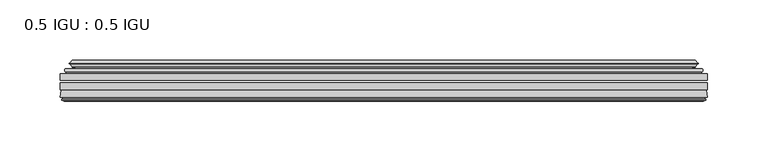
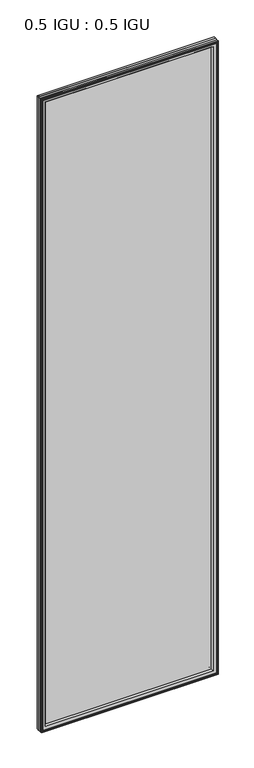
"""IFC4 building model written with IfcOpenShell, lengths in millimetres: plate geometry, 0.5 IGU : 0.5 IGU."""

from ifc_helpers import new_model, si_unit, frame, origin, place, context, project, spatial, polyline, ellipse_curve, outline, extrude, source, transform, mapped, element, save
from ifc_brep_helpers import plane_surface, cylinder_surface, revolved_surface, advanced_brep


def plate_0_5_igu_0_5_igu_e50b6d52(model_context):
    return source(origin(), model_context, "Body", "SolidModel", [
        extrude(outline(polyline([(268.2858, -55.82285), (268.2858, -61.48705), (-268.271625, -61.48705), (-268.271625, -55.82285), (268.2858, -55.82285)])), frame((0.0, 0.0, -14.2875), z_axis=(0.0, 0.0, 1.0), x_axis=(1.0, 0.0, 0.0)), (0.0, 0.0, 1.0), 2025.6537979),
        extrude(outline(polyline([(-268.271625, -69.05625), (-268.271625, -63.39205), (268.2858, -63.39205), (268.2858, -69.05625), (-268.271625, -69.05625)])), frame((0.0, 0.0, -14.2875), z_axis=(0.0, 0.0, 1.0), x_axis=(1.0, 0.0, 0.0)), (0.0, 0.0, 1.0), 2025.6537979),
        advanced_brep(
        [(-264.1690876, -54.3724927, 2007.2599626), (-263.1245628, -51.60645, 2006.2154378), (-263.1245628, -51.60645, -9.1404378), (-264.1690876, -54.3724927, -10.1849626), (-262.532642, -55.82285, 2005.623517), (-262.532642, -55.82285, -8.548517), (-253.984125, -45.63745, 1997.075), (-250.4014011, -55.82285, 1993.4922761), (-250.4014011, -55.82285, 3.5827239), (-253.984125, -45.63745, 0.0), (-259.1700359, -46.8185491, 2002.2609109), (-259.1700359, -46.8185491, -5.1859109), (-258.3730143, -44.8183085, 2001.4638893), (-258.3730143, -44.8183085, -4.3888893), (-260.6567361, -47.135817, 2003.7476111), (-260.6567361, -47.135817, -6.6726111), (-260.6567361, -47.8489429, 2003.7476111), (-260.6567361, -47.8489429, -6.6726111), (-258.3730143, -50.1664515, 2001.4638893), (-258.3730143, -50.1664515, -4.3888893), (-259.1623751, -48.1854367, 2002.2532501), (-259.1623751, -48.1854367, -5.1782501), (-256.6385629, -48.027045, 1999.7294379), (-256.6385629, -48.027045, -2.6544379), (-255.6127467, -48.7147544, 1998.7036217), (-255.6127467, -48.7147544, -1.6286217), (-255.7311538, -50.1092231, 1998.8220288), (-255.7311538, -50.1092231, -1.7470288), (-256.3328998, -51.60645, 1999.4237748), (-256.3328998, -51.60645, -2.3487748), (263.1245628, -51.60645, -9.1404378), (264.1690876, -54.3724927, -10.1849626), (262.532642, -55.82285, -8.548517), (250.4014011, -55.82285, 3.5827239), (253.984125, -45.63745, 0.0), (259.1700359, -46.8185491, -5.1859109), (258.3730143, -44.8183085, -4.3888893), (260.6567361, -47.135817, -6.6726111), (260.6567361, -47.8489429, -6.6726111), (258.3730143, -50.1664515, -4.3888893), (259.1623751, -48.1854367, -5.1782501), (256.6385629, -48.027045, -2.6544379), (255.6127467, -48.7147544, -1.6286217), (255.7311538, -50.1092231, -1.7470288), (256.3328998, -51.60645, -2.3487748), (263.1245628, -51.60645, 2006.2154378), (264.1690876, -54.3724927, 2007.2599626), (262.532642, -55.82285, 2005.623517), (250.4014011, -55.82285, 1993.4922761), (253.984125, -45.63745, 1997.075), (259.1700359, -46.8185491, 2002.2609109), (258.3730143, -44.8183085, 2001.4638893), (260.6567361, -47.135817, 2003.7476111), (260.6567361, -47.8489429, 2003.7476111), (258.3730143, -50.1664515, 2001.4638893), (259.1623751, -48.1854367, 2002.2532501), (256.6385629, -48.027045, 1999.7294379), (255.6127467, -48.7147544, 1998.7036217), (255.7311538, -50.1092231, 1998.8220288), (256.3328998, -51.60645, 1999.4237748)],
        [
            (0, 1, ellipse_curve(frame((-263.1161953, -53.1898501, 2006.2070703), z_axis=(-0.7071067811865475, 0.0, -0.7071067811865475), x_axis=(-0.7071067811865474, 0.0, 0.7071067811865476)), 2.2392971, 1.5834222)),
            (1, 2),
            (2, 3, ellipse_curve(frame((-263.1161953, -53.1898501, -9.1320703), z_axis=(-0.7071067811865475, 0.0, 0.7071067811865475), x_axis=(0.7071067811865474, 0.0, 0.7071067811865476)), 2.2392971, 1.5834222)),
            (3, 0),
            (4, 0),
            (3, 5),
            (5, 4),
            (6, 7, ellipse_curve(frame((-221.704371, -40.0058297, 1964.795246), z_axis=(0.7071067811865475, 0.0, 0.7071067811865475), x_axis=(0.7071067811865474, 0.0, -0.7071067811865476)), 46.3399971, 32.7673262)),
            (7, 8),
            (8, 9, ellipse_curve(frame((-221.704371, -40.0058297, 32.279754), z_axis=(0.7071067811865475, 0.0, -0.7071067811865475), x_axis=(-0.7071067811865474, 0.0, -0.7071067811865476)), 46.3399971, 32.7673262)),
            (9, 6),
            (10, 6),
            (9, 11),
            (11, 10),
            (12, 10),
            (11, 13),
            (13, 12),
            (14, 12),
            (13, 15),
            (15, 14),
            (16, 14, ellipse_curve(frame((-260.2948979, -47.49238, 2003.3857729), z_axis=(-0.7071067811865475, 0.0, -0.7071067811865475), x_axis=(-0.7071067811865474, 0.0, 0.7071067811865476)), 0.7184205, 0.508)),
            (15, 17, ellipse_curve(frame((-260.2948979, -47.49238, -6.3107729), z_axis=(-0.7071067811865475, 0.0, 0.7071067811865475), x_axis=(0.7071067811865474, 0.0, 0.7071067811865476)), 0.7184205, 0.508)),
            (17, 16),
            (18, 16),
            (17, 19),
            (19, 18),
            (20, 18),
            (19, 21),
            (21, 20),
            (22, 20),
            (21, 23),
            (23, 22),
            (24, 22, ellipse_curve(frame((-256.574925, -49.04105, 1999.6658), z_axis=(0.7071067811865475, 0.0, 0.7071067811865475), x_axis=(0.7071067811865474, 0.0, -0.7071067811865476)), 1.436841, 1.016)),
            (23, 25, ellipse_curve(frame((-256.574925, -49.04105, -2.5908), z_axis=(0.7071067811865475, 0.0, -0.7071067811865475), x_axis=(-0.7071067811865474, 0.0, -0.7071067811865476)), 1.436841, 1.016)),
            (25, 24),
            (26, 24, ellipse_curve(frame((-257.946525, -49.21885, 2001.0374), z_axis=(0.7071067811865475, 0.0, 0.7071067811865475), x_axis=(0.7071067811865474, 0.0, -0.7071067811865476)), 3.3765763, 2.3876)),
            (25, 27, ellipse_curve(frame((-257.946525, -49.21885, -3.9624), z_axis=(0.7071067811865475, 0.0, -0.7071067811865475), x_axis=(-0.7071067811865474, 0.0, -0.7071067811865476)), 3.3765763, 2.3876)),
            (27, 26),
            (28, 26),
            (27, 29),
            (29, 28),
            (2, 30),
            (30, 31, ellipse_curve(frame((263.1161953, -53.1898501, -9.1320703), z_axis=(-0.7071067811865475, 0.0, -0.7071067811865475), x_axis=(-0.7071067811865476, 0.0, 0.7071067811865474)), 2.2392971, 1.5834222)),
            (31, 3),
            (31, 32),
            (32, 5),
            (8, 33),
            (33, 34, ellipse_curve(frame((221.704371, -40.0058297, 32.279754), z_axis=(0.7071067811865475, 0.0, 0.7071067811865475), x_axis=(0.7071067811865476, 0.0, -0.7071067811865474)), 46.3399971, 32.7673262)),
            (34, 9),
            (34, 35),
            (35, 11),
            (35, 36),
            (36, 13),
            (36, 37),
            (37, 15),
            (37, 38, ellipse_curve(frame((260.2948979, -47.49238, -6.3107729), z_axis=(-0.7071067811865475, 0.0, -0.7071067811865475), x_axis=(-0.7071067811865476, 0.0, 0.7071067811865474)), 0.7184205, 0.508)),
            (38, 17),
            (38, 39),
            (39, 19),
            (39, 40),
            (40, 21),
            (40, 41),
            (41, 23),
            (41, 42, ellipse_curve(frame((256.574925, -49.04105, -2.5908), z_axis=(0.7071067811865475, 0.0, 0.7071067811865475), x_axis=(0.7071067811865476, 0.0, -0.7071067811865474)), 1.436841, 1.016)),
            (42, 25),
            (42, 43, ellipse_curve(frame((257.946525, -49.21885, -3.9624), z_axis=(0.7071067811865475, 0.0, 0.7071067811865475), x_axis=(0.7071067811865476, 0.0, -0.7071067811865474)), 3.3765763, 2.3876)),
            (43, 27),
            (43, 44),
            (44, 29),
            (30, 45),
            (45, 46, ellipse_curve(frame((263.1161953, -53.1898501, 2006.2070703), z_axis=(0.7071067811865475, 0.0, -0.7071067811865475), x_axis=(-0.7071067811865474, 0.0, -0.7071067811865476)), 2.2392971, 1.5834222)),
            (46, 31),
            (46, 47),
            (47, 32),
            (33, 48),
            (48, 49, ellipse_curve(frame((221.704371, -40.0058297, 1964.795246), z_axis=(-0.7071067811865475, 0.0, 0.7071067811865475), x_axis=(0.7071067811865474, 0.0, 0.7071067811865476)), 46.3399971, 32.7673262)),
            (49, 34),
            (49, 50),
            (50, 35),
            (50, 51),
            (51, 36),
            (51, 52),
            (52, 37),
            (52, 53, ellipse_curve(frame((260.2948979, -47.49238, 2003.3857729), z_axis=(0.7071067811865475, 0.0, -0.7071067811865475), x_axis=(-0.7071067811865474, 0.0, -0.7071067811865476)), 0.7184205, 0.508)),
            (53, 38),
            (53, 54),
            (54, 39),
            (54, 55),
            (55, 40),
            (55, 56),
            (56, 41),
            (56, 57, ellipse_curve(frame((256.574925, -49.04105, 1999.6658), z_axis=(-0.7071067811865475, 0.0, 0.7071067811865475), x_axis=(0.7071067811865474, 0.0, 0.7071067811865476)), 1.436841, 1.016)),
            (57, 42),
            (57, 58, ellipse_curve(frame((257.946525, -49.21885, 2001.0374), z_axis=(-0.7071067811865475, 0.0, 0.7071067811865475), x_axis=(0.7071067811865474, 0.0, 0.7071067811865476)), 3.3765763, 2.3876)),
            (58, 43),
            (58, 59),
            (59, 44),
            (45, 1),
            (0, 46),
            (4, 47),
            (7, 48),
            (6, 49),
            (10, 50),
            (12, 51),
            (14, 52),
            (16, 53),
            (18, 54),
            (20, 55),
            (22, 56),
            (24, 57),
            (26, 58),
            (28, 59),
        ],
        [
            cylinder_surface(frame((-263.1161953, -53.1898501, 2028.825), z_axis=(0.0, 0.0, 1.0), x_axis=(-1.0, 0.0, 0.0)), 1.5834222),
            plane_surface(frame((-264.1690876, -54.3724927, 2007.2599626), z_axis=(-0.6632745773184306, -0.7483761320907135, 0.0), x_axis=(0.0, 0.0, -1.0))),
            revolved_surface(polyline([(-254.4716972, -40.0058297, -0.48757218957507575), (-254.4716972, -40.0058297, 1997.562572189575)]), (-221.704371, -40.0058297, 2028.825), (0.0, 0.0, -1.0)),
            plane_surface(frame((-253.984125, -45.63745, 1997.075), z_axis=(-0.2220649844278743, 0.975031867525902, 0.0), x_axis=(0.0, 0.0, -1.0))),
            plane_surface(frame((-259.1700359, -46.8185491, 2002.2609109), z_axis=(0.9289682685630282, -0.370159365683228, 0.0), x_axis=(0.0, 0.0, -1.0))),
            plane_surface(frame((-258.3730143, -44.8183085, 2001.4638893), z_axis=(-0.7122798501733507, 0.7018955869907071, 0.0), x_axis=(0.0, 0.0, -1.0))),
            cylinder_surface(frame((-260.2948979, -47.49238, 2028.825), z_axis=(0.0, 0.0, 1.0), x_axis=(-1.0, 0.0, 0.0)), 0.508),
            plane_surface(frame((-260.6567361, -47.8489429, 2003.7476111), z_axis=(-0.7122798501732925, -0.701895586990766, 0.0), x_axis=(0.0, 0.0, -1.0))),
            plane_surface(frame((-258.3730143, -50.1664515, 2001.4638893), z_axis=(0.9289682685628707, 0.3701593656836228, 0.0), x_axis=(0.0, 0.0, -1.0))),
            plane_surface(frame((-259.1623751, -48.1854367, 2002.2532501), z_axis=(0.0626357011928498, -0.9980364567169279, 0.0), x_axis=(0.0, 0.0, -1.0))),
            revolved_surface(polyline([(-257.590925, -49.04105, -3.6068000145867245), (-257.590925, -49.04105, 2000.6818000145868)]), (-256.574925, -49.04105, 2028.825), (0.0, 0.0, -1.0)),
            revolved_surface(polyline([(-260.33412500000003, -49.21885, -6.3499999989237494), (-260.33412500000003, -49.21885, 2003.4249999989238)]), (-257.946525, -49.21885, 2028.825), (0.0, 0.0, -1.0)),
            plane_surface(frame((-255.7311538, -50.1092231, 1998.8220288), z_axis=(-0.9278652925428184, 0.3729155385532094, 0.0), x_axis=(0.0, 0.0, -1.0))),
            cylinder_surface(frame((-285.734125, -53.1898501, -9.1320703), z_axis=(-1.0, 0.0, 0.0), x_axis=(0.0, 0.0, -1.0)), 1.5834222),
            plane_surface(frame((-264.1690876, -54.3724927, -10.1849626), z_axis=(0.0, -0.7483761320907157, -0.6632745773184283), x_axis=(1.0, 0.0, 0.0))),
            revolved_surface(polyline([(254.47169718957497, -40.0058297, -0.48757220000000245), (-254.47169718957494, -40.0058297, -0.48757220000000245)]), (-285.734125, -40.0058297, 32.279754), (1.0, 0.0, 0.0)),
            plane_surface(frame((-253.984125, -45.63745, 0.0), z_axis=(0.0, 0.9750318675259013, -0.22206498442787745), x_axis=(1.0, 0.0, 0.0))),
            plane_surface(frame((-259.1700359, -46.8185491, -5.1859109), z_axis=(0.0, -0.370159365683225, 0.9289682685630294), x_axis=(1.0, 0.0, 0.0))),
            plane_surface(frame((-258.3730143, -44.8183085, -4.3888893), z_axis=(0.0, 0.7018955869907048, -0.7122798501733529), x_axis=(1.0, 0.0, 0.0))),
            cylinder_surface(frame((-285.734125, -47.49238, -6.3107729), z_axis=(-1.0, 0.0, 0.0), x_axis=(0.0, 0.0, -1.0)), 0.508),
            plane_surface(frame((-260.6567361, -47.8489429, -6.6726111), z_axis=(0.0, -0.7018955869907684, -0.7122798501732903), x_axis=(1.0, 0.0, 0.0))),
            plane_surface(frame((-258.3730143, -50.1664515, -4.3888893), z_axis=(0.0, 0.37015936568362584, 0.9289682685628696), x_axis=(1.0, 0.0, 0.0))),
            plane_surface(frame((-259.1623751, -48.1854367, -5.1782501), z_axis=(0.0, -0.9980364567169276, 0.06263570119285301), x_axis=(1.0, 0.0, 0.0))),
            revolved_surface(polyline([(257.59092501458696, -49.04105, -3.6068000000000002), (-257.59092501458684, -49.04105, -3.6068000000000002)]), (-285.734125, -49.04105, -2.5908), (1.0, 0.0, 0.0)),
            revolved_surface(polyline([(260.33412499892376, -49.21885, -6.35), (-260.3341249989238, -49.21885, -6.35)]), (-285.734125, -49.21885, -3.9624), (1.0, 0.0, 0.0)),
            plane_surface(frame((-255.7311538, -50.1092231, -1.7470288), z_axis=(0.0, 0.3729155385532064, -0.9278652925428196), x_axis=(1.0, 0.0, 0.0))),
            cylinder_surface(frame((263.1161953, -53.1898501, -31.75), z_axis=(0.0, 0.0, -1.0), x_axis=(1.0, 0.0, 0.0)), 1.5834222),
            plane_surface(frame((264.1690876, -54.3724927, -10.1849626), z_axis=(0.6632745773184259, -0.7483761320907178, 0.0), x_axis=(0.0, 0.0, 1.0))),
            revolved_surface(polyline([(254.4716972, -40.0058297, 1997.562572189575), (254.4716972, -40.0058297, -0.48757218957494075)]), (221.704371, -40.0058297, -31.75), (0.0, 0.0, 1.0)),
            plane_surface(frame((253.984125, -45.63745, 0.0), z_axis=(0.22206498442788056, 0.9750318675259005, 0.0), x_axis=(0.0, 0.0, 1.0))),
            plane_surface(frame((259.1700359, -46.8185491, -5.1859109), z_axis=(-0.9289682685630306, -0.370159365683222, 0.0), x_axis=(0.0, 0.0, 1.0))),
            plane_surface(frame((258.3730143, -44.8183085, -4.3888893), z_axis=(0.7122798501733552, 0.7018955869907024, 0.0), x_axis=(0.0, 0.0, 1.0))),
            cylinder_surface(frame((260.2948979, -47.49238, -31.75), z_axis=(0.0, 0.0, -1.0), x_axis=(1.0, 0.0, 0.0)), 0.508),
            plane_surface(frame((260.6567361, -47.8489429, -6.6726111), z_axis=(0.712279850173288, -0.7018955869907706, 0.0), x_axis=(0.0, 0.0, 1.0))),
            plane_surface(frame((258.3730143, -50.1664515, -4.3888893), z_axis=(-0.9289682685628684, 0.37015936568362884, 0.0), x_axis=(0.0, 0.0, 1.0))),
            plane_surface(frame((259.1623751, -48.1854367, -5.1782501), z_axis=(-0.06263570119285623, -0.9980364567169274, 0.0), x_axis=(0.0, 0.0, 1.0))),
            revolved_surface(polyline([(257.590925, -49.04105, 2000.6818000145868), (257.590925, -49.04105, -3.606800014586863)]), (256.574925, -49.04105, -31.75), (0.0, 0.0, 1.0)),
            revolved_surface(polyline([(260.33412500000003, -49.21885, 2003.4249999989238), (260.33412500000003, -49.21885, -6.349999998923781)]), (257.946525, -49.21885, -31.75), (0.0, 0.0, 1.0)),
            plane_surface(frame((255.7311538, -50.1092231, -1.7470288), z_axis=(0.9278652925428208, 0.3729155385532034, 0.0), x_axis=(0.0, 0.0, 1.0))),
            cylinder_surface(frame((285.734125, -53.1898501, 2006.2070703), z_axis=(1.0, 0.0, 0.0), x_axis=(0.0, 0.0, 1.0)), 1.5834222),
            plane_surface(frame((264.1690876, -54.3724927, 2007.2599626), z_axis=(0.0, -0.7483761320907157, 0.6632745773184283), x_axis=(-1.0, 0.0, 0.0))),
            plane_surface(frame((262.532642, -55.82285, 2005.623517), z_axis=(0.0, -1.0, 0.0), x_axis=(-1.0, 0.0, 0.0))),
            revolved_surface(polyline([(-254.47169718957497, -40.0058297, 1997.5625722), (254.47169718957494, -40.0058297, 1997.5625722)]), (285.734125, -40.0058297, 1964.795246), (-1.0, 0.0, 0.0)),
            plane_surface(frame((253.984125, -45.63745, 1997.075), z_axis=(0.0, 0.9750318675259012, 0.22206498442787742), x_axis=(-1.0, 0.0, 0.0))),
            plane_surface(frame((259.1700359, -46.8185491, 2002.2609109), z_axis=(0.0, -0.370159365683225, -0.9289682685630294), x_axis=(-1.0, 0.0, 0.0))),
            plane_surface(frame((258.3730143, -44.8183085, 2001.4638893), z_axis=(0.0, 0.7018955869907048, 0.7122798501733529), x_axis=(-1.0, 0.0, 0.0))),
            cylinder_surface(frame((285.734125, -47.49238, 2003.3857729), z_axis=(1.0, 0.0, 0.0), x_axis=(0.0, 0.0, 1.0)), 0.508),
            plane_surface(frame((260.6567361, -47.8489429, 2003.7476111), z_axis=(0.0, -0.7018955869907684, 0.7122798501732903), x_axis=(-1.0, 0.0, 0.0))),
            plane_surface(frame((258.3730143, -50.1664515, 2001.4638893), z_axis=(0.0, 0.37015936568362584, -0.9289682685628696), x_axis=(-1.0, 0.0, 0.0))),
            plane_surface(frame((259.1623751, -48.1854367, 2002.2532501), z_axis=(0.0, -0.9980364567169276, -0.06263570119285301), x_axis=(-1.0, 0.0, 0.0))),
            revolved_surface(polyline([(-257.59092501458696, -49.04105, 2000.6818), (257.59092501458684, -49.04105, 2000.6818)]), (285.734125, -49.04105, 1999.6658), (-1.0, 0.0, 0.0)),
            revolved_surface(polyline([(-260.33412499892376, -49.21885, 2003.425), (260.3341249989238, -49.21885, 2003.425)]), (285.734125, -49.21885, 2001.0374), (-1.0, 0.0, 0.0)),
            plane_surface(frame((255.7311538, -50.1092231, 1998.8220288), z_axis=(0.0, 0.3729155385532064, 0.9278652925428196), x_axis=(-1.0, 0.0, 0.0))),
            plane_surface(frame((256.3328998, -51.60645, 1999.4237748), z_axis=(0.0, 1.0, 0.0), x_axis=(-1.0, 0.0, 0.0))),
        ],
        [
            (0, [[1, 2, 3, 4]]),
            (1, [[5, -4, 6, 7]]),
            (2, [[8, 9, 10, 11]]),
            (3, [[12, -11, 13, 14]]),
            (4, [[15, -14, 16, 17]]),
            (5, [[18, -17, 19, 20]]),
            (6, [[21, -20, 22, 23]]),
            (7, [[24, -23, 25, 26]]),
            (8, [[27, -26, 28, 29]]),
            (9, [[30, -29, 31, 32]]),
            (10, [[33, -32, 34, 35]]),
            (11, [[36, -35, 37, 38]]),
            (12, [[39, -38, 40, 41]]),
            (13, [[-3, 42, 43, 44]]),
            (14, [[-6, -44, 45, 46]]),
            (15, [[-10, 47, 48, 49]]),
            (16, [[-13, -49, 50, 51]]),
            (17, [[-16, -51, 52, 53]]),
            (18, [[-19, -53, 54, 55]]),
            (19, [[-22, -55, 56, 57]]),
            (20, [[-25, -57, 58, 59]]),
            (21, [[-28, -59, 60, 61]]),
            (22, [[-31, -61, 62, 63]]),
            (23, [[-34, -63, 64, 65]]),
            (24, [[-37, -65, 66, 67]]),
            (25, [[-40, -67, 68, 69]]),
            (26, [[-43, 70, 71, 72]]),
            (27, [[-45, -72, 73, 74]]),
            (28, [[-48, 75, 76, 77]]),
            (29, [[-50, -77, 78, 79]]),
            (30, [[-52, -79, 80, 81]]),
            (31, [[-54, -81, 82, 83]]),
            (32, [[-56, -83, 84, 85]]),
            (33, [[-58, -85, 86, 87]]),
            (34, [[-60, -87, 88, 89]]),
            (35, [[-62, -89, 90, 91]]),
            (36, [[-64, -91, 92, 93]]),
            (37, [[-66, -93, 94, 95]]),
            (38, [[-68, -95, 96, 97]]),
            (39, [[-71, 98, -1, 99]]),
            (40, [[-73, -99, -5, 100]]),
            (41, [[-46, -74, -100, -7], [101, -75, -47, -9]]),
            (42, [[-76, -101, -8, 102]]),
            (43, [[-78, -102, -12, 103]]),
            (44, [[-80, -103, -15, 104]]),
            (45, [[-82, -104, -18, 105]]),
            (46, [[-84, -105, -21, 106]]),
            (47, [[-86, -106, -24, 107]]),
            (48, [[-88, -107, -27, 108]]),
            (49, [[-90, -108, -30, 109]]),
            (50, [[-92, -109, -33, 110]]),
            (51, [[-94, -110, -36, 111]]),
            (52, [[-96, -111, -39, 112]]),
            (53, [[-98, -70, -42, -2], [-69, -97, -112, -41]]),
        ],
    ),
        advanced_brep(
        [(-268.284325, -75.40625, 2011.3752), (-267.5895412, -69.7476901, 2010.6804162), (-267.5895412, -69.7476901, -13.6054162), (-268.284325, -75.40625, -14.3002), (-265.896725, -77.3973143, 2008.9876), (-266.353925, -75.40625, 2009.4448), (-266.353925, -75.40625, -12.3698), (-265.896725, -77.3973143, -11.9126), (-266.8980869, -77.1290001, 2009.9889619), (-266.8980869, -77.1290001, -12.9139619), (-267.141325, -78.0367772, 2010.2322), (-267.141325, -78.0367772, -13.1572), (-265.109325, -78.58125, 2008.2002), (-265.109325, -78.58125, -11.1252), (-263.077325, -78.0367772, 2006.1682), (-263.077325, -78.0367772, -9.0932), (-263.3205631, -77.1290001, 2006.4114381), (-263.3205631, -77.1290001, -9.3364381), (-264.321925, -77.3973143, 2007.4128), (-264.321925, -77.3973143, -10.3378), (-263.864725, -75.40625, 2006.9556), (-263.864725, -75.40625, -9.8806), (-250.3946619, -69.05625, 1993.4855369), (-253.984125, -75.40625, 1997.075), (-253.984125, -75.40625, 0.0), (-250.3946619, -69.05625, 3.5894631), (-266.8080104, -69.05625, 2009.8988854), (-266.8080104, -69.05625, -12.8238854), (267.5895412, -69.7476901, -13.6054162), (268.284325, -75.40625, -14.3002), (266.353925, -75.40625, -12.3698), (265.896725, -77.3973143, -11.9126), (266.8980869, -77.1290001, -12.9139619), (267.141325, -78.0367772, -13.1572), (265.109325, -78.58125, -11.1252), (263.077325, -78.0367772, -9.0932), (263.3205631, -77.1290001, -9.3364381), (264.321925, -77.3973143, -10.3378), (263.864725, -75.40625, -9.8806), (253.984125, -75.40625, 0.0), (250.3946619, -69.05625, 3.5894631), (266.8080104, -69.05625, -12.8238854), (267.5895412, -69.7476901, 2010.6804162), (268.284325, -75.40625, 2011.3752), (266.353925, -75.40625, 2009.4448), (265.896725, -77.3973143, 2008.9876), (266.8980869, -77.1290001, 2009.9889619), (267.141325, -78.0367772, 2010.2322), (265.109325, -78.58125, 2008.2002), (263.077325, -78.0367772, 2006.1682), (263.3205631, -77.1290001, 2006.4114381), (264.321925, -77.3973143, 2007.4128), (263.864725, -75.40625, 2006.9556), (253.984125, -75.40625, 1997.075), (250.3946619, -69.05625, 1993.4855369), (266.8080104, -69.05625, 2009.8988854)],
        [
            (0, 1),
            (1, 2),
            (2, 3),
            (3, 0),
            (4, 5),
            (5, 6),
            (6, 7),
            (7, 4),
            (8, 4),
            (7, 9),
            (9, 8),
            (10, 8),
            (9, 11),
            (11, 10),
            (12, 10),
            (11, 13),
            (13, 12),
            (14, 12),
            (13, 15),
            (15, 14),
            (16, 14),
            (15, 17),
            (17, 16),
            (18, 16),
            (17, 19),
            (19, 18),
            (20, 18),
            (19, 21),
            (21, 20),
            (22, 23, ellipse_curve(frame((-245.5078364, -76.0081323, 1988.5987114), z_axis=(0.7071067811865475, 0.0, 0.7071067811865475), x_axis=(0.7071067811865474, 0.0, -0.7071067811865476)), 12.0174649, 8.4976309)),
            (23, 24),
            (24, 25, ellipse_curve(frame((-245.5078364, -76.0081323, 8.4762886), z_axis=(0.7071067811865475, 0.0, -0.7071067811865475), x_axis=(-0.7071067811865474, 0.0, -0.7071067811865476)), 12.0174649, 8.4976309)),
            (25, 22),
            (1, 26, ellipse_curve(frame((-266.8080104, -69.84365, 2009.8988854), z_axis=(-0.7071067811865475, 0.0, -0.7071067811865475), x_axis=(-0.7071067811865474, 0.0, 0.7071067811865476)), 1.1135518, 0.7874)),
            (26, 27),
            (27, 2, ellipse_curve(frame((-266.8080104, -69.84365, -12.8238854), z_axis=(-0.7071067811865475, 0.0, 0.7071067811865475), x_axis=(0.7071067811865474, 0.0, 0.7071067811865476)), 1.1135518, 0.7874)),
            (2, 28),
            (28, 29),
            (29, 3),
            (6, 30),
            (30, 31),
            (31, 7),
            (31, 32),
            (32, 9),
            (32, 33),
            (33, 11),
            (33, 34),
            (34, 13),
            (34, 35),
            (35, 15),
            (35, 36),
            (36, 17),
            (36, 37),
            (37, 19),
            (37, 38),
            (38, 21),
            (24, 39),
            (39, 40, ellipse_curve(frame((245.5078364, -76.0081323, 8.4762886), z_axis=(0.7071067811865475, 0.0, 0.7071067811865475), x_axis=(0.7071067811865476, 0.0, -0.7071067811865474)), 12.0174649, 8.4976309)),
            (40, 25),
            (27, 41),
            (41, 28, ellipse_curve(frame((266.8080104, -69.84365, -12.8238854), z_axis=(-0.7071067811865475, 0.0, -0.7071067811865475), x_axis=(-0.7071067811865476, 0.0, 0.7071067811865474)), 1.1135518, 0.7874)),
            (28, 42),
            (42, 43),
            (43, 29),
            (30, 44),
            (44, 45),
            (45, 31),
            (45, 46),
            (46, 32),
            (46, 47),
            (47, 33),
            (47, 48),
            (48, 34),
            (48, 49),
            (49, 35),
            (49, 50),
            (50, 36),
            (50, 51),
            (51, 37),
            (51, 52),
            (52, 38),
            (39, 53),
            (53, 54, ellipse_curve(frame((245.5078364, -76.0081323, 1988.5987114), z_axis=(-0.7071067811865475, 0.0, 0.7071067811865475), x_axis=(0.7071067811865474, 0.0, 0.7071067811865476)), 12.0174649, 8.4976309)),
            (54, 40),
            (41, 55),
            (55, 42, ellipse_curve(frame((266.8080104, -69.84365, 2009.8988854), z_axis=(0.7071067811865475, 0.0, -0.7071067811865475), x_axis=(-0.7071067811865474, 0.0, -0.7071067811865476)), 1.1135518, 0.7874)),
            (42, 1),
            (0, 43),
            (5, 44),
            (4, 45),
            (8, 46),
            (10, 47),
            (12, 48),
            (14, 49),
            (16, 50),
            (18, 51),
            (20, 52),
            (23, 53),
            (22, 54),
            (26, 55),
        ],
        [
            plane_surface(frame((-267.5895412, -69.7476901, 2010.6804162), z_axis=(-0.992546151641325, 0.12186934340512405, 0.0), x_axis=(0.0, 0.0, -1.0))),
            plane_surface(frame((-266.353925, -75.40625, 2009.4448), z_axis=(-0.9746347637895902, -0.22380142361658398, 0.0), x_axis=(0.0, 0.0, -1.0))),
            plane_surface(frame((-265.896725, -77.3973143, 2008.9876), z_axis=(0.2588190451026526, 0.965925826289033, 0.0), x_axis=(0.0, 0.0, -1.0))),
            plane_surface(frame((-266.8980869, -77.1290001, 2009.9889619), z_axis=(-0.9659258262890449, 0.2588190451026083, 0.0), x_axis=(0.0, 0.0, -1.0))),
            plane_surface(frame((-267.141325, -78.0367772, 2010.2322), z_axis=(-0.2588190451024403, -0.96592582628909, 0.0), x_axis=(0.0, 0.0, -1.0))),
            plane_surface(frame((-265.109325, -78.58125, 2008.2002), z_axis=(0.2588190451025434, -0.9659258262890623, 0.0), x_axis=(0.0, 0.0, -1.0))),
            plane_surface(frame((-263.077325, -78.0367772, 2006.1682), z_axis=(0.9659258262891713, 0.25881904510213655, 0.0), x_axis=(0.0, 0.0, -1.0))),
            plane_surface(frame((-263.3205631, -77.1290001, 2006.4114381), z_axis=(-0.25881904510234177, 0.9659258262891163, 0.0), x_axis=(0.0, 0.0, -1.0))),
            plane_surface(frame((-264.321925, -77.3973143, 2007.4128), z_axis=(0.9746347637895849, -0.22380142361660743, 0.0), x_axis=(0.0, 0.0, -1.0))),
            revolved_surface(polyline([(-254.0054673, -76.0081323, -0.021342323461112755), (-254.0054673, -76.0081323, 1997.0963423234612)]), (-245.5078364, -76.0081323, 2028.825), (0.0, 0.0, -1.0)),
            cylinder_surface(frame((-266.8080104, -69.84365, 2028.825), z_axis=(0.0, 0.0, 1.0), x_axis=(-1.0, 0.0, 0.0)), 0.7874),
            plane_surface(frame((-267.5895412, -69.7476901, -13.6054162), z_axis=(0.0, 0.12186934340512084, -0.9925461516413254), x_axis=(1.0, 0.0, 0.0))),
            plane_surface(frame((-266.353925, -75.40625, -12.3698), z_axis=(0.0, -0.22380142361658714, -0.9746347637895896), x_axis=(1.0, 0.0, 0.0))),
            plane_surface(frame((-265.896725, -77.3973143, -11.9126), z_axis=(0.0, 0.9659258262890339, 0.25881904510264947), x_axis=(1.0, 0.0, 0.0))),
            plane_surface(frame((-266.8980869, -77.1290001, -12.9139619), z_axis=(0.0, 0.25881904510260517, -0.9659258262890458), x_axis=(1.0, 0.0, 0.0))),
            plane_surface(frame((-267.141325, -78.0367772, -13.1572), z_axis=(0.0, -0.9659258262890907, -0.25881904510243714), x_axis=(1.0, 0.0, 0.0))),
            plane_surface(frame((-265.109325, -78.58125, -11.1252), z_axis=(0.0, -0.9659258262890614, 0.2588190451025465), x_axis=(1.0, 0.0, 0.0))),
            plane_surface(frame((-263.077325, -78.0367772, -9.0932), z_axis=(0.0, 0.25881904510213966, 0.9659258262891705), x_axis=(1.0, 0.0, 0.0))),
            plane_surface(frame((-263.3205631, -77.1290001, -9.3364381), z_axis=(0.0, 0.9659258262891154, -0.2588190451023449), x_axis=(1.0, 0.0, 0.0))),
            plane_surface(frame((-264.321925, -77.3973143, -10.3378), z_axis=(0.0, -0.2238014236166043, 0.9746347637895857), x_axis=(1.0, 0.0, 0.0))),
            revolved_surface(polyline([(254.00546732346135, -76.0081323, -0.02134230000000059), (-254.00546732346132, -76.0081323, -0.02134230000000059)]), (-285.734125, -76.0081323, 8.4762886), (1.0, 0.0, 0.0)),
            cylinder_surface(frame((-285.734125, -69.84365, -12.8238854), z_axis=(-1.0, 0.0, 0.0), x_axis=(0.0, 0.0, -1.0)), 0.7874),
            plane_surface(frame((267.5895412, -69.7476901, -13.6054162), z_axis=(0.9925461516413259, 0.12186934340511764, 0.0), x_axis=(0.0, 0.0, 1.0))),
            plane_surface(frame((266.353925, -75.40625, -12.3698), z_axis=(0.9746347637895888, -0.22380142361659028, 0.0), x_axis=(0.0, 0.0, 1.0))),
            plane_surface(frame((265.896725, -77.3973143, -11.9126), z_axis=(-0.25881904510264636, 0.9659258262890348, 0.0), x_axis=(0.0, 0.0, 1.0))),
            plane_surface(frame((266.8980869, -77.1290001, -12.9139619), z_axis=(0.9659258262890467, 0.25881904510260206, 0.0), x_axis=(0.0, 0.0, 1.0))),
            plane_surface(frame((267.141325, -78.0367772, -13.1572), z_axis=(0.25881904510243403, -0.9659258262890916, 0.0), x_axis=(0.0, 0.0, 1.0))),
            plane_surface(frame((265.109325, -78.58125, -11.1252), z_axis=(-0.25881904510254966, -0.9659258262890607, 0.0), x_axis=(0.0, 0.0, 1.0))),
            plane_surface(frame((263.077325, -78.0367772, -9.0932), z_axis=(-0.9659258262891696, 0.25881904510214276, 0.0), x_axis=(0.0, 0.0, 1.0))),
            plane_surface(frame((263.3205631, -77.1290001, -9.3364381), z_axis=(0.25881904510234804, 0.9659258262891146, 0.0), x_axis=(0.0, 0.0, 1.0))),
            plane_surface(frame((264.321925, -77.3973143, -10.3378), z_axis=(-0.9746347637895864, -0.22380142361660113, 0.0), x_axis=(0.0, 0.0, 1.0))),
            revolved_surface(polyline([(254.0054673, -76.0081323, 1997.0963423234612), (254.0054673, -76.0081323, -0.021342323461311707)]), (245.5078364, -76.0081323, -31.75), (0.0, 0.0, 1.0)),
            cylinder_surface(frame((266.8080104, -69.84365, -31.75), z_axis=(0.0, 0.0, -1.0), x_axis=(1.0, 0.0, 0.0)), 0.7874),
            plane_surface(frame((267.5895412, -69.7476901, 2010.6804162), z_axis=(0.0, 0.12186934340512084, 0.9925461516413254), x_axis=(-1.0, 0.0, 0.0))),
            plane_surface(frame((268.284325, -75.40625, 2011.3752), z_axis=(0.0, -1.0, 0.0), x_axis=(-1.0, 0.0, 0.0))),
            plane_surface(frame((266.353925, -75.40625, 2009.4448), z_axis=(0.0, -0.22380142361658714, 0.9746347637895896), x_axis=(-1.0, 0.0, 0.0))),
            plane_surface(frame((265.896725, -77.3973143, 2008.9876), z_axis=(0.0, 0.9659258262890339, -0.25881904510264947), x_axis=(-1.0, 0.0, 0.0))),
            plane_surface(frame((266.8980869, -77.1290001, 2009.9889619), z_axis=(0.0, 0.25881904510260517, 0.9659258262890458), x_axis=(-1.0, 0.0, 0.0))),
            plane_surface(frame((267.141325, -78.0367772, 2010.2322), z_axis=(0.0, -0.9659258262890907, 0.25881904510243714), x_axis=(-1.0, 0.0, 0.0))),
            plane_surface(frame((265.109325, -78.58125, 2008.2002), z_axis=(0.0, -0.9659258262890614, -0.25881904510254655), x_axis=(-1.0, 0.0, 0.0))),
            plane_surface(frame((263.077325, -78.0367772, 2006.1682), z_axis=(0.0, 0.25881904510213966, -0.9659258262891705), x_axis=(-1.0, 0.0, 0.0))),
            plane_surface(frame((263.3205631, -77.1290001, 2006.4114381), z_axis=(0.0, 0.9659258262891155, 0.25881904510234494), x_axis=(-1.0, 0.0, 0.0))),
            plane_surface(frame((264.321925, -77.3973143, 2007.4128), z_axis=(0.0, -0.22380142361660427, -0.9746347637895856), x_axis=(-1.0, 0.0, 0.0))),
            plane_surface(frame((263.864725, -75.40625, 2006.9556), z_axis=(0.0, -1.0, 0.0), x_axis=(-1.0, 0.0, 0.0))),
            revolved_surface(polyline([(-254.00546732346135, -76.0081323, 1997.0963423), (254.00546732346132, -76.0081323, 1997.0963423)]), (285.734125, -76.0081323, 1988.5987114), (-1.0, 0.0, 0.0)),
            plane_surface(frame((250.3946619, -69.05625, 1993.4855369), z_axis=(0.0, 1.0, 0.0), x_axis=(-1.0, 0.0, 0.0))),
            cylinder_surface(frame((285.734125, -69.84365, 2009.8988854), z_axis=(1.0, 0.0, 0.0), x_axis=(0.0, 0.0, 1.0)), 0.7874),
        ],
        [
            (0, [[1, 2, 3, 4]]),
            (1, [[5, 6, 7, 8]]),
            (2, [[9, -8, 10, 11]]),
            (3, [[12, -11, 13, 14]]),
            (4, [[15, -14, 16, 17]]),
            (5, [[18, -17, 19, 20]]),
            (6, [[21, -20, 22, 23]]),
            (7, [[24, -23, 25, 26]]),
            (8, [[27, -26, 28, 29]]),
            (9, [[30, 31, 32, 33]]),
            (10, [[34, 35, 36, -2]]),
            (11, [[-3, 37, 38, 39]]),
            (12, [[-7, 40, 41, 42]]),
            (13, [[-10, -42, 43, 44]]),
            (14, [[-13, -44, 45, 46]]),
            (15, [[-16, -46, 47, 48]]),
            (16, [[-19, -48, 49, 50]]),
            (17, [[-22, -50, 51, 52]]),
            (18, [[-25, -52, 53, 54]]),
            (19, [[-28, -54, 55, 56]]),
            (20, [[-32, 57, 58, 59]]),
            (21, [[-36, 60, 61, -37]]),
            (22, [[-38, 62, 63, 64]]),
            (23, [[-41, 65, 66, 67]]),
            (24, [[-43, -67, 68, 69]]),
            (25, [[-45, -69, 70, 71]]),
            (26, [[-47, -71, 72, 73]]),
            (27, [[-49, -73, 74, 75]]),
            (28, [[-51, -75, 76, 77]]),
            (29, [[-53, -77, 78, 79]]),
            (30, [[-55, -79, 80, 81]]),
            (31, [[-58, 82, 83, 84]]),
            (32, [[-61, 85, 86, -62]]),
            (33, [[-63, 87, -1, 88]]),
            (34, [[-39, -64, -88, -4], [89, -65, -40, -6]]),
            (35, [[-66, -89, -5, 90]]),
            (36, [[-68, -90, -9, 91]]),
            (37, [[-70, -91, -12, 92]]),
            (38, [[-72, -92, -15, 93]]),
            (39, [[-74, -93, -18, 94]]),
            (40, [[-76, -94, -21, 95]]),
            (41, [[-78, -95, -24, 96]]),
            (42, [[-80, -96, -27, 97]]),
            (43, [[-56, -81, -97, -29], [98, -82, -57, -31]]),
            (44, [[-83, -98, -30, 99]]),
            (45, [[100, -85, -60, -35], [-59, -84, -99, -33]]),
            (46, [[-86, -100, -34, -87]]),
        ],
    ),
    ])


if __name__ == "__main__":
    model = new_model("IFC4")
    model_context = context("Model", 3, world=origin())
    ifc_project = project(units=[si_unit("LENGTHUNIT", "METRE", prefix="MILLI")], contexts=[model_context])
    site = spatial("IfcSite", under=ifc_project)
    building = spatial("IfcBuilding", under=site)
    placement = place(None, origin())
    plate_0_5_igu_0_5_igu_shape = plate_0_5_igu_0_5_igu_e50b6d52(model_context)
    element("IfcPlate", 1, ObjectType="0.5 IGU : 0.5 IGU", at=placement, inside=building, context=model_context, shape_type="MappedRepresentation", body=[
        mapped(plate_0_5_igu_0_5_igu_shape, transform((0.0, 0.0, 0.0), x_axis=(1.0, 0.0, 0.0), y_axis=(0.0, 1.0, 0.0), z_axis=(0.0, 0.0, 1.0))),
    ])
    save(model, "model.ifc")
